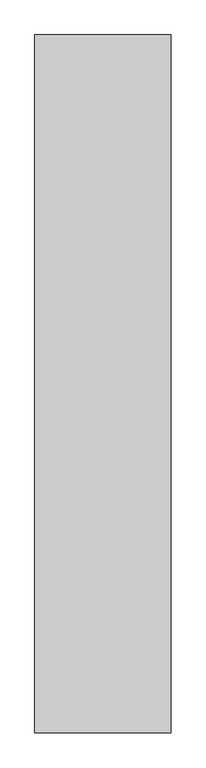
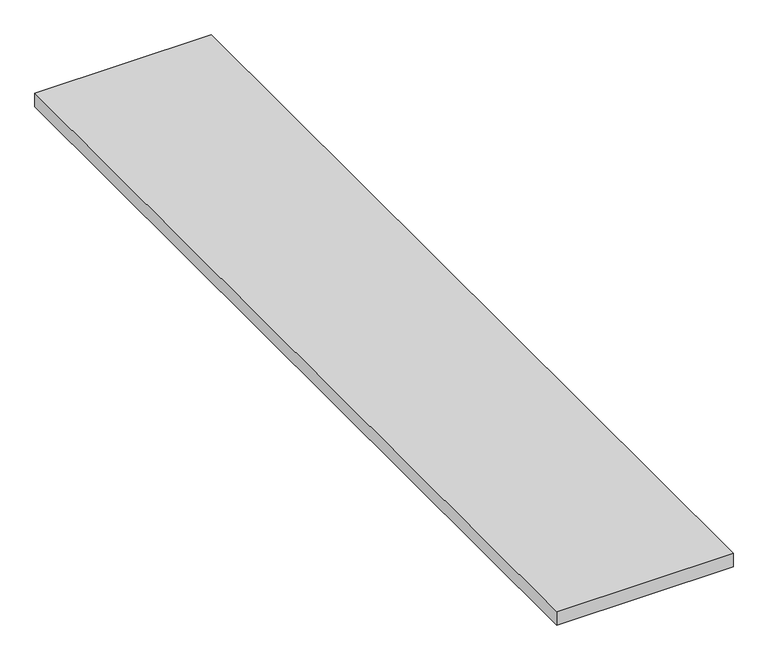
"""IFC4 building model written with IfcOpenShell, lengths in millimetres: furniture geometry."""

from ifc_helpers import new_model, si_unit, frame, origin, place, context, project, spatial, polyline, outline, extrude, source, transform, mapped, element, save


def furniture_2fc40c45(model_context):
    return source(origin(), model_context, "Body", "SweptSolid", [
        extrude(outline(polyline([(2050.5451745, -1404.6281698), (2050.5451745, 1155.6754369), (2550.5451745, 1155.6754369), (2550.5451745, -1404.6281698), (2050.5451745, -1404.6281698)])), frame((0.0, 0.0, 1500.0), z_axis=(0.0, 0.0, 1.0), x_axis=(1.0, 0.0, 0.0)), (0.0, 0.0, 1.0), 40.0),
    ])


if __name__ == "__main__":
    model = new_model("IFC4")
    model_context = context("Model", 3, world=origin())
    ifc_project = project(units=[si_unit("LENGTHUNIT", "METRE", prefix="MILLI")], contexts=[model_context])
    site = spatial("IfcSite", under=ifc_project)
    building = spatial("IfcBuilding", under=site)
    placement = place(None, origin())
    furniture_shape = furniture_2fc40c45(model_context)
    element("IfcFurniture", 1, at=placement, inside=building, context=model_context, shape_type="MappedRepresentation", body=[
        mapped(furniture_shape, transform((0.0, 0.0, 0.0), x_axis=(1.0, 0.0, 0.0), y_axis=(0.0, 1.0, 0.0), z_axis=(0.0, 0.0, 1.0))),
    ])
    save(model, "model.ifc")
